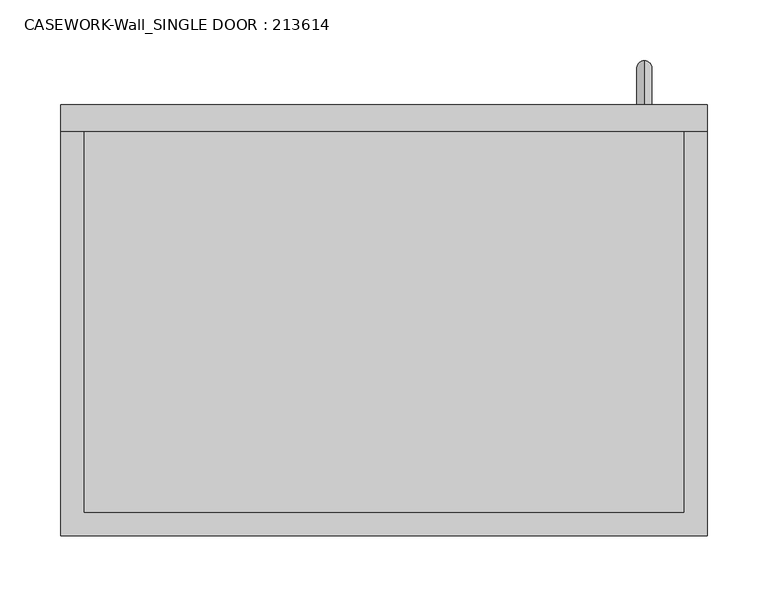
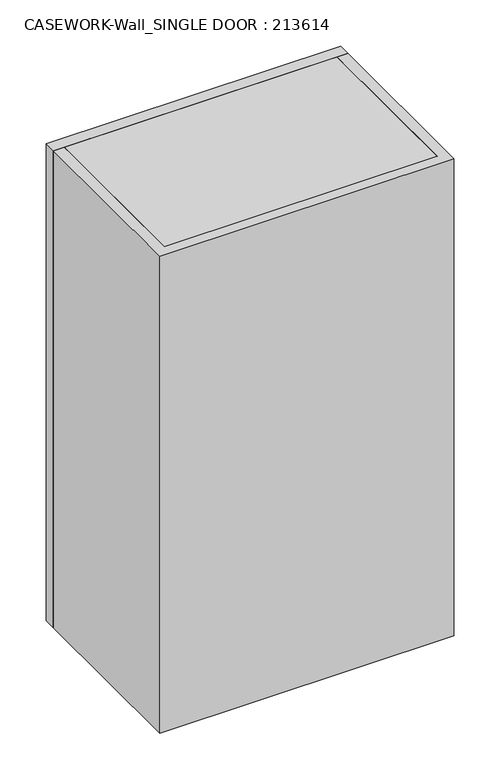
"""IFC4 building model written with IfcOpenShell, lengths in millimetres: furniture geometry, CASEWORK-Wall_SINGLE DOOR : 213614."""

from ifc_helpers import new_model, si_unit, frame, origin, place, context, project, spatial, polyline, circle_curve, ellipse_curve, outline, extrude, source, transform, mapped, element, save
from ifc_brep_helpers import plane_surface, cylinder_surface, advanced_brep


def casework_wall_single_door_213614_ff72c130(model_context):
    return source(origin(), model_context, "Body", "SolidModel", [
        extrude(outline(polyline([(266.7, 409.8), (-266.7, 409.8), (-266.7, 431.8), (266.7, 431.8), (266.7, 409.8)])), frame((0.0, 0.0, 1219.2), z_axis=(0.0, 0.0, 1.0), x_axis=(1.0, 0.0, 0.0)), (0.0, 0.0, 1.0), 914.4),
        extrude(outline(polyline([(247.5, 409.8), (266.7, 409.8), (266.7, 76.2), (-266.7, 76.2), (-266.7, 409.8), (-247.5, 409.8), (-247.5, 95.4), (247.5, 95.4), (247.5, 409.8)])), frame((0.0, 0.0, 1219.2), z_axis=(0.0, 0.0, 1.0), x_axis=(1.0, 0.0, 0.0)), (0.0, 0.0, 1.0), 914.4),
        extrude(outline(polyline([(-247.5, 409.8), (247.5, 409.8), (247.5, 95.4), (-247.5, 95.4), (-247.5, 409.8)])), frame((0.0, 0.0, 1816.0), z_axis=(0.0, 0.0, 1.0), x_axis=(1.0, 0.0, 0.0)), (0.0, 0.0, 1.0), 19.2),
        extrude(outline(polyline([(-247.5, 409.8), (247.5, 409.8), (247.5, 95.4), (-247.5, 95.4), (-247.5, 409.8)])), frame((0.0, 0.0, 1517.6), z_axis=(0.0, 0.0, 1.0), x_axis=(1.0, 0.0, 0.0)), (0.0, 0.0, 1.0), 19.2),
        advanced_brep(
        [(214.7, 431.8, 1337.55), (214.7, 431.8, 1324.85), (214.7, 455.45, 1337.55), (214.7, 468.15, 1324.85), (214.7, 455.45, 1452.85), (214.7, 468.15, 1465.55), (214.7, 431.8, 1452.85), (214.7, 431.8, 1465.55)],
        [
            (0, 1, circle_curve(frame((214.7, 431.8, 1331.2), z_axis=(0.0, -1.0, 0.0), x_axis=(0.0, 0.0, -1.0)), 6.35)),
            (1, 0, circle_curve(frame((214.7, 431.8, 1331.2), z_axis=(0.0, -1.0, 0.0), x_axis=(0.0, 0.0, -1.0)), 6.35)),
            (0, 2),
            (2, 3, ellipse_curve(frame((214.7, 461.8, 1331.2), z_axis=(0.0, -0.7071067811865475, -0.7071067811865475), x_axis=(0.0, -0.7071067811865476, 0.7071067811865474)), 8.9802561, 6.35)),
            (3, 1),
            (3, 2, ellipse_curve(frame((214.7, 461.8, 1331.2), z_axis=(0.0, -0.7071067811865475, -0.7071067811865475), x_axis=(0.0, -0.7071067811865476, 0.7071067811865474)), 8.9802561, 6.35)),
            (2, 4),
            (4, 5, ellipse_curve(frame((214.7, 461.8, 1459.2), z_axis=(0.0, 0.7071067811865475, -0.7071067811865475), x_axis=(0.0, -0.7071067811865474, -0.7071067811865476)), 8.9802561, 6.35)),
            (5, 3),
            (5, 4, ellipse_curve(frame((214.7, 461.8, 1459.2), z_axis=(0.0, 0.7071067811865475, -0.7071067811865475), x_axis=(0.0, -0.7071067811865474, -0.7071067811865476)), 8.9802561, 6.35)),
            (6, 7, circle_curve(frame((214.7, 431.8, 1459.2), z_axis=(0.0, -1.0, 0.0), x_axis=(0.0, 0.0, 1.0)), 6.35)),
            (7, 6, circle_curve(frame((214.7, 431.8, 1459.2), z_axis=(0.0, -1.0, 0.0), x_axis=(0.0, 0.0, 1.0)), 6.35)),
            (4, 6),
            (7, 5),
        ],
        [
            plane_surface(frame((214.7, 431.8, 1331.2), z_axis=(0.0, -1.0, 0.0), x_axis=(-1.0, 0.0, 0.0))),
            cylinder_surface(frame((214.7, 431.8, 1331.2), z_axis=(0.0, -1.0, 0.0), x_axis=(0.0, 0.0, -1.0)), 6.35),
            cylinder_surface(frame((214.7, 461.8, 1331.2), z_axis=(0.0, 0.0, -1.0), x_axis=(0.0, 1.0, 0.0)), 6.35),
            plane_surface(frame((214.7, 431.8, 1459.2), z_axis=(0.0, -1.0, 0.0), x_axis=(-1.0, 0.0, 0.0))),
            cylinder_surface(frame((214.7, 461.8, 1459.2), z_axis=(0.0, 1.0, 0.0), x_axis=(0.0, 0.0, 1.0)), 6.35),
        ],
        [
            (0, [[1, 2]]),
            (1, [[-1, 3, 4, 5]]),
            (1, [[-2, -5, 6, -3]]),
            (2, [[-4, 7, 8, 9]]),
            (2, [[-6, -9, 10, -7]]),
            (3, [[11, 12]]),
            (4, [[-8, 13, -12, 14]]),
            (4, [[-10, -14, -11, -13]]),
        ],
    ),
        extrude(outline(polyline([(247.5, 409.8), (247.5, 95.4), (-247.5, 95.4), (-247.5, 409.8), (247.5, 409.8)])), frame((0.0, 0.0, 2114.4), z_axis=(0.0, 0.0, 1.0), x_axis=(1.0, 0.0, 0.0)), (0.0, 0.0, 1.0), 19.2),
        extrude(outline(polyline([(247.5, 409.8), (247.5, 95.4), (-247.5, 95.4), (-247.5, 409.8), (247.5, 409.8)])), frame((0.0, 0.0, 1219.2), z_axis=(0.0, 0.0, 1.0), x_axis=(1.0, 0.0, 0.0)), (0.0, 0.0, 1.0), 19.2),
    ])


if __name__ == "__main__":
    model = new_model("IFC4")
    model_context = context("Model", 3, world=origin())
    ifc_project = project(units=[si_unit("LENGTHUNIT", "METRE", prefix="MILLI")], contexts=[model_context])
    site = spatial("IfcSite", under=ifc_project)
    building = spatial("IfcBuilding", under=site)
    placement = place(None, origin())
    casework_wall_single_door_213614_shape = casework_wall_single_door_213614_ff72c130(model_context)
    element("IfcFurniture", 1, ObjectType="CASEWORK-Wall_SINGLE DOOR : 213614", at=placement, inside=building, context=model_context, shape_type="MappedRepresentation", body=[
        mapped(casework_wall_single_door_213614_shape, transform((0.0, 0.0, 0.0), x_axis=(1.0, 0.0, 0.0), y_axis=(0.0, 1.0, 0.0), z_axis=(0.0, 0.0, 1.0))),
    ])
    save(model, "model.ifc")
